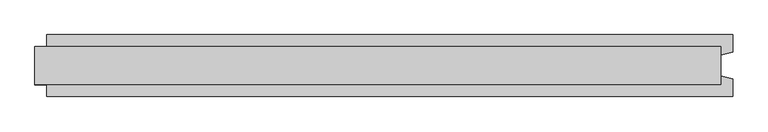
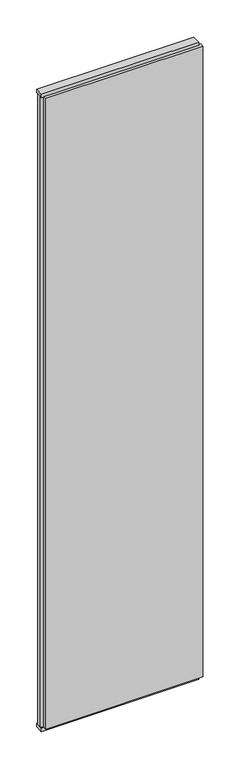
"""IFC4 building model written with IfcOpenShell, lengths in millimetres: plate geometry."""

from ifc_helpers import new_model, si_unit, frame, origin, origin_with_axes, place, context, project, spatial, polyline, outline, extrude, source, transform, mapped, element, save


def plate_5c247148(model_context):
    return source(origin(), model_context, "Body", "SweptSolid", [
        extrude(outline(polyline([(602.9166667, 52.5), (602.9166667, 22.9993165), (582.9166667, 17.6401049), (582.9166667, -17.6401049), (602.9166667, -22.9993165), (602.9166667, -52.5), (-562.9166667, -52.5), (-562.9166667, -22.9993165), (-582.9166667, -17.6401049), (-582.9166667, 17.6401049), (-562.9166667, 22.9993165), (-562.9166667, 52.5), (602.9166667, 52.5)])), frame((0.0, 0.0, 25.0), z_axis=(0.0, 0.0, 1.0), x_axis=(1.0, 0.0, 0.0)), (0.0, 0.0, 1.0), 4950.0),
        extrude(outline(polyline([(582.9166667, 32.0), (582.9166667, -32.0), (-582.9166667, -32.0), (-582.9166667, 32.0), (582.9166667, 32.0)])), origin_with_axes(), (0.0, 0.0, 1.0), 25.0),
        extrude(outline(polyline([(582.9166667, 32.0), (582.9166667, -32.0), (-582.9166667, -32.0), (-582.9166667, 32.0), (582.9166667, 32.0)])), frame((0.0, 0.0, 4975.0), z_axis=(0.0, 0.0, 1.0), x_axis=(1.0, 0.0, 0.0)), (0.0, 0.0, 1.0), 25.0),
    ])


if __name__ == "__main__":
    model = new_model("IFC4")
    model_context = context("Model", 3, world=origin())
    ifc_project = project(units=[si_unit("LENGTHUNIT", "METRE", prefix="MILLI")], contexts=[model_context])
    site = spatial("IfcSite", under=ifc_project)
    building = spatial("IfcBuilding", under=site)
    placement = place(None, origin())
    plate_shape = plate_5c247148(model_context)
    element("IfcPlate", 1, at=placement, inside=building, context=model_context, shape_type="MappedRepresentation", body=[
        mapped(plate_shape, transform((0.0, 0.0, 0.0), x_axis=(1.0, 0.0, 0.0), y_axis=(0.0, 1.0, 0.0), z_axis=(0.0, 0.0, 1.0))),
    ])
    save(model, "model.ifc")
